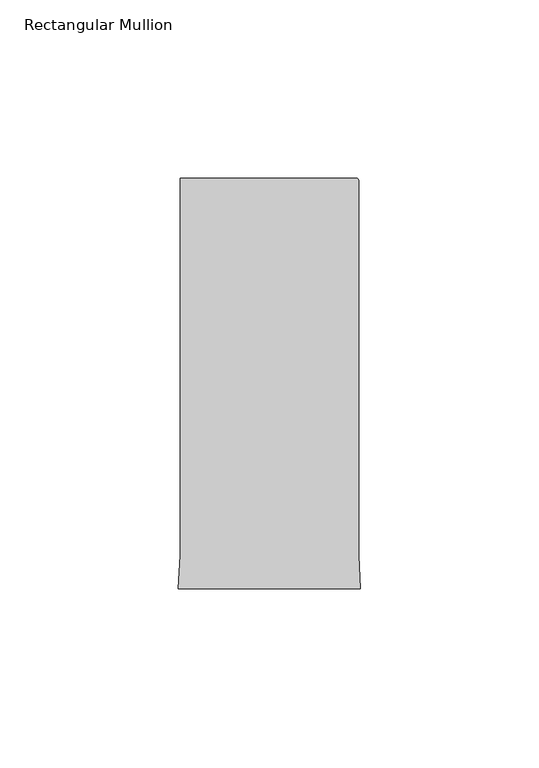
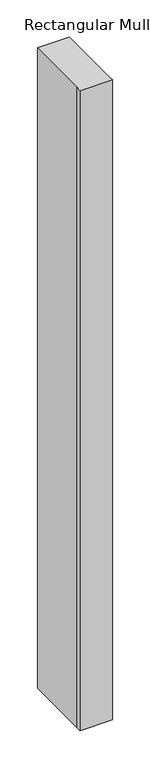
"""IFC4 building model written with IfcOpenShell, lengths in millimetres: member geometry, Rectangular Mullion."""

from ifc_helpers import new_model, si_unit, point, frame, frame_2d, origin, place, context, project, spatial, polyline, circle_curve, trimmed, segment, composite_curve, outline, extrude, source, transform, mapped, element, save


def rectangular_mullion_7d789641(model_context):
    return source(origin(), model_context, "Body", "SweptSolid", [
        extrude(outline(composite_curve([segment(polyline([(-25.0000004, 128.995434), (24.4999996, 128.995434)]), True, "CONTINUOUS"), segment(trimmed(circle_curve(frame_2d((24.4999996, 128.495434)), 0.5), [point((24.4999996, 128.995434))], [point((24.9999996, 128.495434))], False, "CARTESIAN"), True, "CONTINUOUS"), segment(polyline([(24.9999996, 128.495434), (24.9999996, 23.4857005), (25.4480462, 14.0), (-25.448047, 14.0), (-25.0000004, 23.4857005), (-25.0000004, 128.995434)]), True, "CONTINUOUS")], self_intersect=False)), frame((0.0, 0.0, -1050.0), z_axis=(0.0, 0.0, 1.0), x_axis=(1.0, 0.0, 0.0)), (0.0, 0.0, 1.0), 1050.0),
    ])


if __name__ == "__main__":
    model = new_model("IFC4")
    model_context = context("Model", 3, world=origin())
    ifc_project = project(units=[si_unit("LENGTHUNIT", "METRE", prefix="MILLI")], contexts=[model_context])
    site = spatial("IfcSite", under=ifc_project)
    building = spatial("IfcBuilding", under=site)
    placement = place(None, origin())
    rectangular_mullion_shape = rectangular_mullion_7d789641(model_context)
    element("IfcMember", 1, ObjectType="Rectangular Mullion", at=placement, inside=building, context=model_context, shape_type="MappedRepresentation", body=[
        mapped(rectangular_mullion_shape, transform((0.0, 0.0, 0.0), x_axis=(1.0, 0.0, 0.0), y_axis=(0.0, 1.0, 0.0), z_axis=(0.0, 0.0, 1.0))),
    ])
    save(model, "model.ifc")
